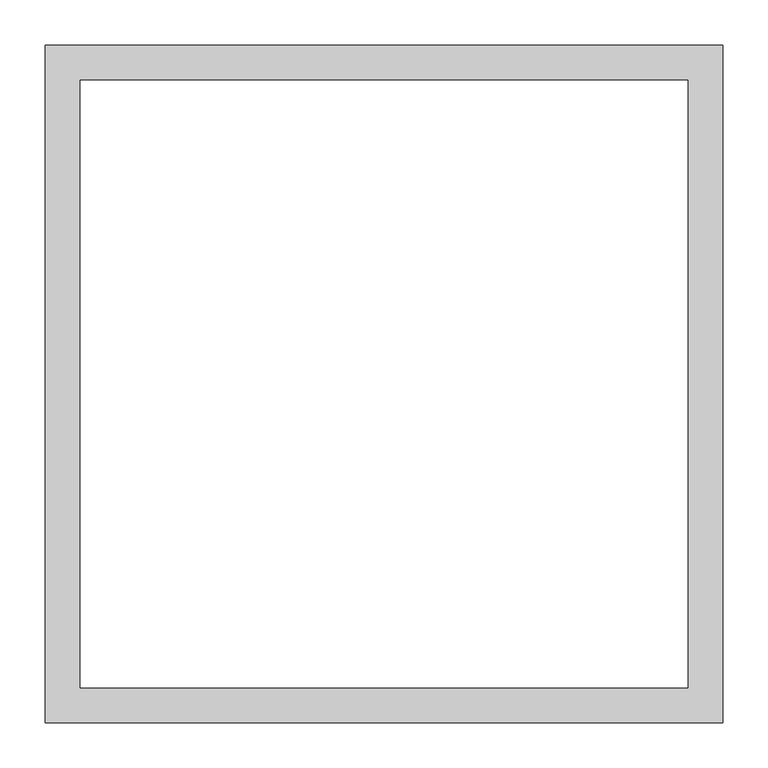
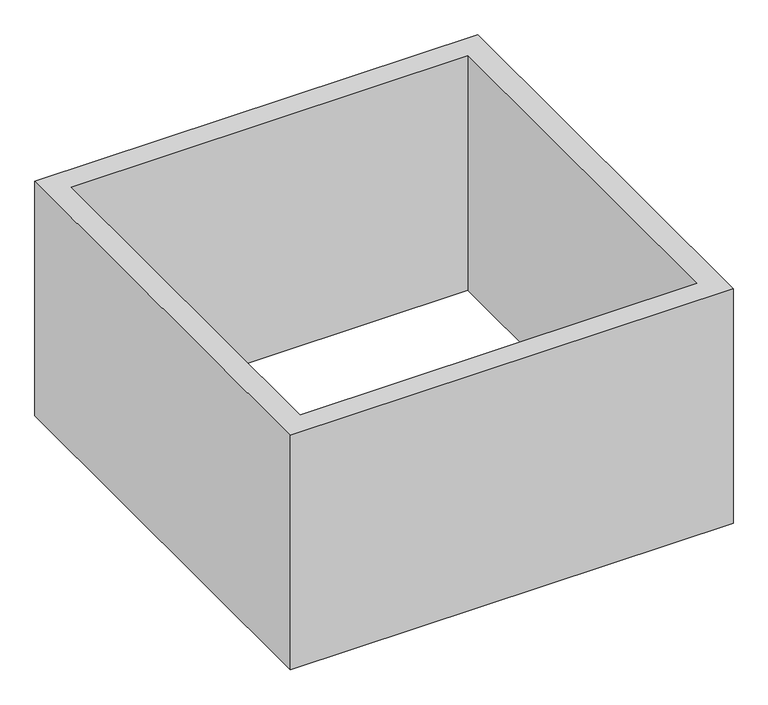
"""IFC4 building model written with IfcOpenShell, lengths in millimetres: furniture geometry."""

from ifc_helpers import new_model, si_unit, origin, origin_with_axes, place, context, project, spatial, polyline, outline, extrude, source, transform, mapped, element, save


def furniture_d0ba173e(model_context):
    return source(origin(), model_context, "Body", "SweptSolid", [
        extrude(outline(polyline([(375.0, -375.0), (-375.0, -375.0), (-375.0, 375.0), (375.0, 375.0), (375.0, -375.0)]), holes=[polyline([(336.0, -336.0), (336.0, 336.0), (-336.0, 336.0), (-336.0, -336.0), (336.0, -336.0)])]), origin_with_axes(), (0.0, 0.0, 1.0), 420.0),
    ])


if __name__ == "__main__":
    model = new_model("IFC4")
    model_context = context("Model", 3, world=origin())
    ifc_project = project(units=[si_unit("LENGTHUNIT", "METRE", prefix="MILLI")], contexts=[model_context])
    site = spatial("IfcSite", under=ifc_project)
    building = spatial("IfcBuilding", under=site)
    placement = place(None, origin())
    furniture_shape = furniture_d0ba173e(model_context)
    element("IfcFurniture", 1, at=placement, inside=building, context=model_context, shape_type="MappedRepresentation", body=[
        mapped(furniture_shape, transform((0.0, 0.0, 0.0), x_axis=(1.0, 0.0, 0.0), y_axis=(0.0, 1.0, 0.0), z_axis=(0.0, 0.0, 1.0))),
    ])
    save(model, "model.ifc")
